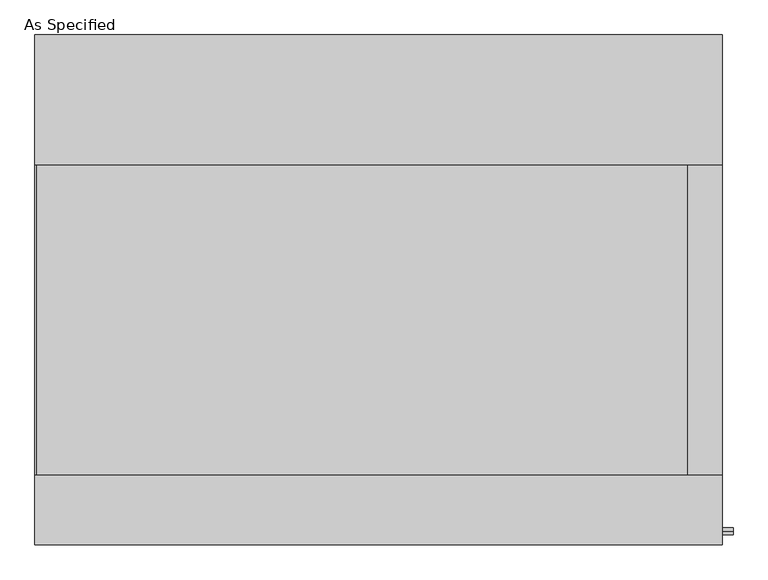
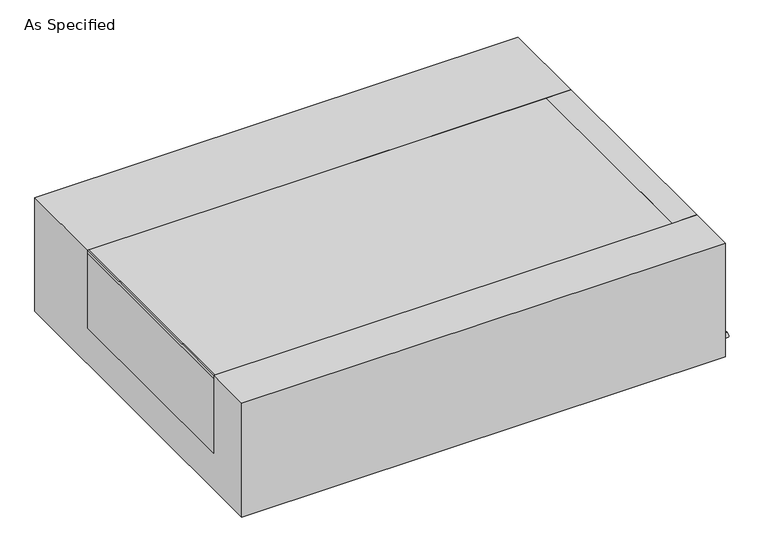
"""IFC4 building model written with IfcOpenShell, lengths in millimetres: proxy geometry, As Specified."""

from ifc_helpers import new_model, si_unit, point, frame, frame_2d, origin, place, context, project, spatial, polyline, circle_curve, trimmed, segment, composite_curve, outline, extrude, source, transform, mapped, element, save


def as_specified_2b6976d6(model_context):
    return source(origin(), model_context, "Body", "SweptSolid", [
        extrude(outline(composite_curve([segment(trimmed(circle_curve(frame_2d((-712.7875, -466.725)), 10.5), [point((-712.7875, -456.225))], [point((-712.7875, -477.225))], False, "CARTESIAN"), True, "CONTINUOUS"), segment(trimmed(circle_curve(frame_2d((-712.7875, -466.725)), 10.5), [point((-712.7875, -477.225))], [point((-712.7875, -456.225))], False, "CARTESIAN"), True, "CONTINUOUS")], self_intersect=False)), frame((1014.4125, 0.0, 0.0), z_axis=(1.0, 0.0, 0.0), x_axis=(0.0, 1.0, 0.0)), (0.0, 0.0, 1.0), 31.8403384),
        extrude(outline(polyline([(912.01875, -546.1), (912.01875, 368.3), (1014.4125, 368.3), (1014.4125, -546.1), (912.01875, -546.1)])), frame((0.0, 0.0, -373.0625), z_axis=(0.0, 0.0, 1.0), x_axis=(1.0, 0.0, 0.0)), (0.0, 0.0, 1.0), 347.6625),
        extrude(outline(polyline([(-1010.44375, -546.1), (-1014.4125, -546.1), (-1014.4125, 368.3), (-1010.44375, 368.3), (-1010.44375, -546.1)])), frame((0.0, 0.0, -39.6875), z_axis=(0.0, 0.0, 1.0), x_axis=(1.0, 0.0, 0.0)), (0.0, 0.0, 1.0), 14.2875),
        extrude(outline(polyline([(912.01875, 368.3), (912.01875, -546.1), (-1014.4125, -546.1), (-1014.4125, 368.3), (912.01875, 368.3)])), frame((0.0, 0.0, -373.0625), z_axis=(0.0, 0.0, 1.0), x_axis=(1.0, 0.0, 0.0)), (0.0, 0.0, 1.0), 347.6625),
        extrude(outline(polyline([(752.475, -25.4), (752.475, -530.225), (-752.475, -530.225), (-752.475, -25.4), (-546.1, -25.4), (-546.1, -373.0625), (368.3, -373.0625), (368.3, -25.4), (752.475, -25.4)])), frame((-1014.4125, 0.0, 0.0), z_axis=(1.0, 0.0, 0.0), x_axis=(0.0, 1.0, 0.0)), (0.0, 0.0, 1.0), 2028.825),
    ])


if __name__ == "__main__":
    model = new_model("IFC4")
    model_context = context("Model", 3, world=origin())
    ifc_project = project(units=[si_unit("LENGTHUNIT", "METRE", prefix="MILLI")], contexts=[model_context])
    site = spatial("IfcSite", under=ifc_project)
    building = spatial("IfcBuilding", under=site)
    placement = place(None, origin())
    as_specified_shape = as_specified_2b6976d6(model_context)
    element("IfcBuildingElementProxy", 1, Name="As Specified", ObjectType="As Specified", at=placement, inside=building, context=model_context, shape_type="MappedRepresentation", body=[
        mapped(as_specified_shape, transform((0.0, 0.0, 0.0), x_axis=(1.0, 0.0, 0.0), y_axis=(0.0, 1.0, 0.0), z_axis=(0.0, 0.0, 1.0))),
    ])
    save(model, "model.ifc")
